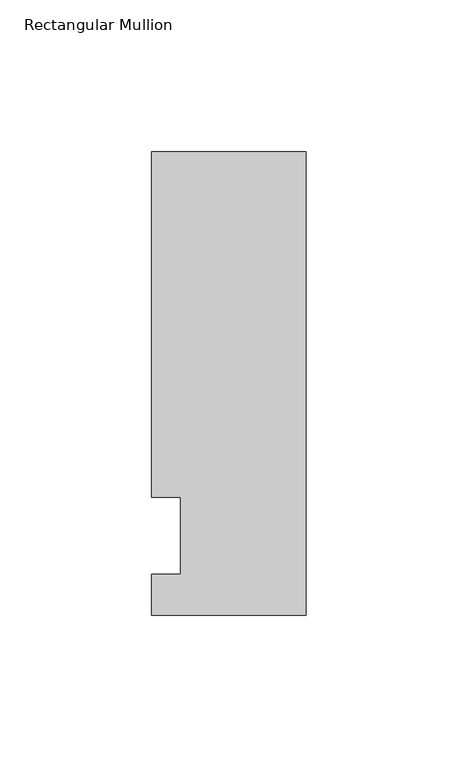
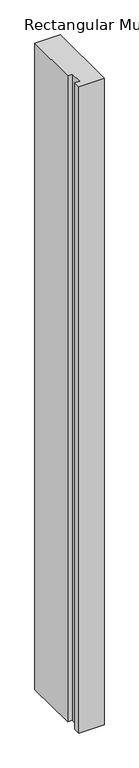
"""IFC4 building model written with IfcOpenShell, lengths in millimetres: member geometry, Rectangular Mullion."""

from ifc_helpers import new_model, si_unit, frame, origin, place, context, project, spatial, polyline, outline, extrude, source, transform, mapped, element, save


def rectangular_mullion_7bf70336(model_context):
    return source(origin(), model_context, "Body", "SweptSolid", [
        extrude(outline(polyline([(-25.4, -26.19375), (-25.4, -12.7), (-15.875, -12.7), (-15.875, 12.7), (-25.4, 12.7), (-25.4, 126.20625), (25.4, 126.20625), (25.4, -26.19375), (-25.4, -26.19375)])), frame((0.0, 0.0, -1371.6), z_axis=(0.0, 0.0, 1.0), x_axis=(1.0, 0.0, 0.0)), (0.0, 0.0, 1.0), 1371.6),
    ])


if __name__ == "__main__":
    model = new_model("IFC4")
    model_context = context("Model", 3, world=origin())
    ifc_project = project(units=[si_unit("LENGTHUNIT", "METRE", prefix="MILLI")], contexts=[model_context])
    site = spatial("IfcSite", under=ifc_project)
    building = spatial("IfcBuilding", under=site)
    placement = place(None, origin())
    rectangular_mullion_shape = rectangular_mullion_7bf70336(model_context)
    element("IfcMember", 1, ObjectType="Rectangular Mullion", at=placement, inside=building, context=model_context, shape_type="MappedRepresentation", body=[
        mapped(rectangular_mullion_shape, transform((0.0, 0.0, 0.0), x_axis=(1.0, 0.0, 0.0), y_axis=(0.0, 1.0, 0.0), z_axis=(0.0, 0.0, 1.0))),
    ])
    save(model, "model.ifc")
